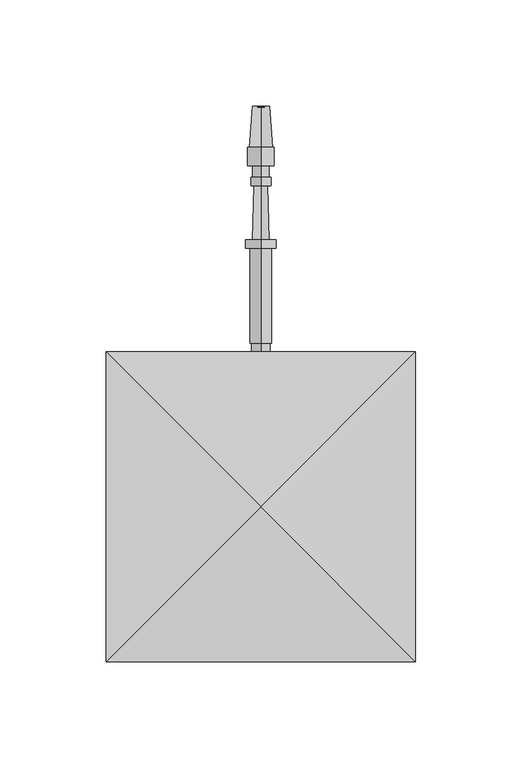
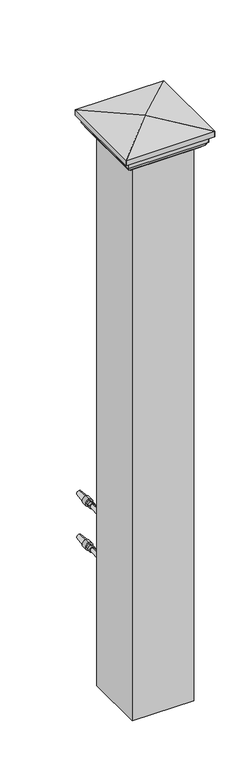
"""IFC4 building model written with IfcOpenShell, lengths in millimetres: railing geometry."""

from ifc_helpers import new_model, si_unit, point, frame, origin, place, context, project, spatial, polyline, circle_curve, ellipse_curve, trimmed, outline, extrude, source, transform, mapped, element, save
from ifc_brep_helpers import plane_surface, cylinder_surface, revolved_surface, advanced_brep


def railing_73b240f5(model_context):
    return source(origin(), model_context, "Body", "SolidModel", [
        advanced_brep(
        [(4097.4568095, 16768.2587003, 32759.0282881), (4097.4568095, 16768.2587003, 32762.6001631), (4097.4568095, 16768.2587003, 32766.1720381), (4097.4568095, 16893.2025896, 32762.6001631), (4097.4568095, 16893.4982539, 32758.5757028), (4097.4568095, 16893.4982539, 32766.6246235), (4097.4568095, 16874.1548899, 32757.1546072), (4097.4568095, 16874.1548899, 32768.045719), (4097.4568095, 16874.1548899, 32756.2616385), (4097.4568095, 16874.1548899, 32768.9386877), (4097.4568095, 16865.5228587, 32756.2616385), (4097.4568095, 16865.5228587, 32768.9386877), (4097.4568095, 16865.5228587, 32758.6428885), (4097.4568095, 16865.5228587, 32766.5574377), (4097.4568095, 16860.1650462, 32758.6428885), (4097.4568095, 16860.1650462, 32766.5574377), (4097.4568095, 16860.1650462, 32757.8491385), (4097.4568095, 16860.1650462, 32767.3511877), (4097.4568095, 16856.0970774, 32757.8491385), (4097.4568095, 16856.0970774, 32767.3511877), (4097.4568095, 16856.0529903, 32759.4360262), (4097.4568095, 16856.0529903, 32765.7643), (4097.4568095, 16830.6627871, 32758.7306319), (4097.4568095, 16830.6627871, 32766.4696944), (4097.4568095, 16830.6627871, 32755.4564131), (4097.4568095, 16830.6627871, 32769.7439131), (4097.4568095, 16826.6940371, 32755.4564131), (4097.4568095, 16826.6940371, 32769.7439131), (4097.4568095, 16826.6940371, 32757.4407881), (4097.4568095, 16826.6940371, 32767.7595381), (4097.4568095, 16781.9463808, 32757.4407881), (4097.4568095, 16781.9463808, 32767.7595381), (4097.4568095, 16781.9463808, 32758.2345381), (4097.4568095, 16781.9463808, 32766.9657881), (4097.4568095, 16775.5963808, 32758.2345381), (4097.4568095, 16775.5963808, 32766.9657881), (4097.4568095, 16775.5963808, 32759.0282881), (4097.4568095, 16775.5963808, 32766.1720381)],
        [
            (0, 1),
            (1, 2),
            (2, 0, circle_curve(frame((4097.4568095, 16768.2587003, 32762.6001631), z_axis=(0.0, -1.0, 0.0), x_axis=(0.0, 0.0, 1.0000000000000002)), 3.571875)),
            (0, 2, circle_curve(frame((4097.4568095, 16768.2587003, 32762.6001631), z_axis=(0.0, -1.0, 0.0), x_axis=(0.0, 0.0, 1.0000000000000002)), 3.571875)),
            (3, 4),
            (4, 5, circle_curve(frame((4097.4568095, 16893.4982539, 32762.6001631), z_axis=(0.0, 1.0, 0.0), x_axis=(0.0, 0.0, 1.0000000000000002)), 4.0244604)),
            (5, 3),
            (5, 4, circle_curve(frame((4097.4568095, 16893.4982539, 32762.6001631), z_axis=(0.0, 1.0, 0.0), x_axis=(0.0, 0.0, 1.0000000000000002)), 4.0244604)),
            (4, 6),
            (6, 7, circle_curve(frame((4097.4568095, 16874.1548899, 32762.6001631), z_axis=(0.0, 1.0, 0.0), x_axis=(0.0, 0.0, 1.0000000000000002)), 5.4455559)),
            (7, 5),
            (7, 6, circle_curve(frame((4097.4568095, 16874.1548899, 32762.6001631), z_axis=(0.0, 1.0, 0.0), x_axis=(0.0, 0.0, 1.0000000000000002)), 5.4455559)),
            (6, 8),
            (8, 9, circle_curve(frame((4097.4568095, 16874.1548899, 32762.6001631), z_axis=(0.0, 1.0, 0.0), x_axis=(0.0, 0.0, 1.0000000000000002)), 6.3385246)),
            (9, 7),
            (9, 8, circle_curve(frame((4097.4568095, 16874.1548899, 32762.6001631), z_axis=(0.0, 1.0, 0.0), x_axis=(0.0, 0.0, 1.0000000000000002)), 6.3385246)),
            (8, 10),
            (10, 11, circle_curve(frame((4097.4568095, 16865.5228587, 32762.6001631), z_axis=(0.0, 1.0, 0.0), x_axis=(0.0, 0.0, 1.0000000000000002)), 6.3385246)),
            (11, 9),
            (11, 10, circle_curve(frame((4097.4568095, 16865.5228587, 32762.6001631), z_axis=(0.0, 1.0, 0.0), x_axis=(0.0, 0.0, 1.0000000000000002)), 6.3385246)),
            (10, 12),
            (12, 13, circle_curve(frame((4097.4568095, 16865.5228587, 32762.6001631), z_axis=(0.0, 1.0, 0.0), x_axis=(0.0, 0.0, 1.0000000000000002)), 3.9572746)),
            (13, 11),
            (13, 12, circle_curve(frame((4097.4568095, 16865.5228587, 32762.6001631), z_axis=(0.0, 1.0, 0.0), x_axis=(0.0, 0.0, 1.0000000000000002)), 3.9572746)),
            (12, 14),
            (14, 15, circle_curve(frame((4097.4568095, 16860.1650462, 32762.6001631), z_axis=(0.0, 1.0, 0.0), x_axis=(0.0, 0.0, 1.0000000000000002)), 3.9572746)),
            (15, 13),
            (15, 14, circle_curve(frame((4097.4568095, 16860.1650462, 32762.6001631), z_axis=(0.0, 1.0, 0.0), x_axis=(0.0, 0.0, 1.0000000000000002)), 3.9572746)),
            (14, 16),
            (16, 17, circle_curve(frame((4097.4568095, 16860.1650462, 32762.6001631), z_axis=(0.0, 1.0, 0.0), x_axis=(0.0, 0.0, 1.0000000000000002)), 4.7510246)),
            (17, 15),
            (17, 16, circle_curve(frame((4097.4568095, 16860.1650462, 32762.6001631), z_axis=(0.0, 1.0, 0.0), x_axis=(0.0, 0.0, 1.0000000000000002)), 4.7510246)),
            (16, 18),
            (18, 19, circle_curve(frame((4097.4568095, 16856.0970774, 32762.6001631), z_axis=(0.0, 1.0, 0.0), x_axis=(0.0, 0.0, 1.0000000000000002)), 4.7510246)),
            (19, 17),
            (19, 18, circle_curve(frame((4097.4568095, 16856.0970774, 32762.6001631), z_axis=(0.0, 1.0, 0.0), x_axis=(0.0, 0.0, 1.0000000000000002)), 4.7510246)),
            (18, 20),
            (20, 21, circle_curve(frame((4097.4568095, 16856.0529903, 32762.6001631), z_axis=(0.0, 1.0, 0.0), x_axis=(0.0, 0.0, 1.0000000000000002)), 3.1641369)),
            (21, 19),
            (21, 20, circle_curve(frame((4097.4568095, 16856.0529903, 32762.6001631), z_axis=(0.0, 1.0, 0.0), x_axis=(0.0, 0.0, 1.0000000000000002)), 3.1641369)),
            (20, 22),
            (22, 23, circle_curve(frame((4097.4568095, 16830.6627871, 32762.6001631), z_axis=(0.0, 1.0, 0.0), x_axis=(0.0, 0.0, 1.0000000000000002)), 3.8695313)),
            (23, 21),
            (23, 22, circle_curve(frame((4097.4568095, 16830.6627871, 32762.6001631), z_axis=(0.0, 1.0, 0.0), x_axis=(0.0, 0.0, 1.0000000000000002)), 3.8695313)),
            (22, 24),
            (24, 25, circle_curve(frame((4097.4568095, 16830.6627871, 32762.6001631), z_axis=(0.0, 1.0, 0.0), x_axis=(0.0, 0.0, 1.0000000000000002)), 7.14375)),
            (25, 23),
            (25, 24, circle_curve(frame((4097.4568095, 16830.6627871, 32762.6001631), z_axis=(0.0, 1.0, 0.0), x_axis=(0.0, 0.0, 1.0000000000000002)), 7.14375)),
            (24, 26),
            (26, 27, circle_curve(frame((4097.4568095, 16826.6940371, 32762.6001631), z_axis=(0.0, 1.0, 0.0), x_axis=(0.0, 0.0, 1.0000000000000002)), 7.14375)),
            (27, 25),
            (27, 26, circle_curve(frame((4097.4568095, 16826.6940371, 32762.6001631), z_axis=(0.0, 1.0, 0.0), x_axis=(0.0, 0.0, 1.0000000000000002)), 7.14375)),
            (26, 28),
            (28, 29, circle_curve(frame((4097.4568095, 16826.6940371, 32762.6001631), z_axis=(0.0, 1.0, 0.0), x_axis=(0.0, 0.0, 1.0000000000000002)), 5.159375)),
            (29, 27),
            (29, 28, circle_curve(frame((4097.4568095, 16826.6940371, 32762.6001631), z_axis=(0.0, 1.0, 0.0), x_axis=(0.0, 0.0, 1.0000000000000002)), 5.159375)),
            (28, 30),
            (30, 31, circle_curve(frame((4097.4568095, 16781.9463808, 32762.6001631), z_axis=(0.0, 1.0, 0.0), x_axis=(0.0, 0.0, 1.0000000000000002)), 5.159375)),
            (31, 29),
            (31, 30, circle_curve(frame((4097.4568095, 16781.9463808, 32762.6001631), z_axis=(0.0, 1.0, 0.0), x_axis=(0.0, 0.0, 1.0000000000000002)), 5.159375)),
            (30, 32),
            (32, 33, circle_curve(frame((4097.4568095, 16781.9463808, 32762.6001631), z_axis=(0.0, 1.0, 0.0), x_axis=(0.0, 0.0, 1.0000000000000002)), 4.365625)),
            (33, 31),
            (33, 32, circle_curve(frame((4097.4568095, 16781.9463808, 32762.6001631), z_axis=(0.0, 1.0, 0.0), x_axis=(0.0, 0.0, 1.0000000000000002)), 4.365625)),
            (32, 34),
            (34, 35, circle_curve(frame((4097.4568095, 16775.5963808, 32762.6001631), z_axis=(0.0, 1.0, 0.0), x_axis=(0.0, 0.0, 1.0000000000000002)), 4.365625)),
            (35, 33),
            (35, 34, circle_curve(frame((4097.4568095, 16775.5963808, 32762.6001631), z_axis=(0.0, 1.0, 0.0), x_axis=(0.0, 0.0, 1.0000000000000002)), 4.365625)),
            (34, 36),
            (36, 37, circle_curve(frame((4097.4568095, 16775.5963808, 32762.6001631), z_axis=(0.0, 1.0, 0.0), x_axis=(0.0, 0.0, 1.0000000000000002)), 3.571875)),
            (37, 35),
            (37, 36, circle_curve(frame((4097.4568095, 16775.5963808, 32762.6001631), z_axis=(0.0, 1.0, 0.0), x_axis=(0.0, 0.0, 1.0000000000000002)), 3.571875)),
            (36, 0),
            (2, 37),
        ],
        [
            plane_surface(frame((4097.4568095, 16768.2587003, 32762.6001631), z_axis=(0.0, -1.0, 0.0), x_axis=(0.0, 0.0, 1.0))),
            revolved_surface(polyline([(4097.4568095, 16893.4982539, 32766.6246235), (4097.4568095, 16893.2025896, 32762.6001631)]), (4097.4568095, 16893.2025896, 32762.6001631), (0.0, 1.0, 0.0)),
            revolved_surface(polyline([(4097.4568095, 16874.1548899, 32768.045719), (4097.4568095, 16893.4982539, 32766.6246235)]), (4097.4568095, 16893.2025896, 32762.6001631), (0.0, 1.0, 0.0)),
            plane_surface(frame((4097.4568095, 16874.1548899, 32762.6001631), z_axis=(0.0, 1.0, 0.0), x_axis=(0.0, 0.0, 1.0))),
            cylinder_surface(frame((4097.4568095, 16893.2025896, 32762.6001631), z_axis=(0.0, 1.0, 0.0), x_axis=(0.0, 0.0, 1.0000000000000002)), 6.3385246),
            plane_surface(frame((4097.4568095, 16865.5228587, 32762.6001631), z_axis=(0.0, -1.0, 0.0), x_axis=(0.0, 0.0, 1.0))),
            cylinder_surface(frame((4097.4568095, 16893.2025896, 32762.6001631), z_axis=(0.0, 1.0, 0.0), x_axis=(0.0, 0.0, 1.0000000000000002)), 3.9572746),
            plane_surface(frame((4097.4568095, 16860.1650462, 32762.6001631), z_axis=(0.0, 1.0, 0.0), x_axis=(0.0, 0.0, 1.0))),
            cylinder_surface(frame((4097.4568095, 16893.2025896, 32762.6001631), z_axis=(0.0, 1.0, 0.0), x_axis=(0.0, 0.0, 1.0000000000000002)), 4.7510246),
            plane_surface(frame((4097.4568095, 16856.0529903, 32762.6001631), z_axis=(0.0, -1.0, 0.0), x_axis=(0.0, 0.0, 1.0))),
            revolved_surface(polyline([(4097.4568095, 16830.6627871, 32766.4696944), (4097.4568095, 16856.0529903, 32765.7643)]), (4097.4568095, 16893.2025896, 32762.6001631), (0.0, 1.0, 0.0)),
            plane_surface(frame((4097.4568095, 16830.6627871, 32762.6001631), z_axis=(0.0, 1.0, 0.0), x_axis=(0.0, 0.0, 1.0))),
            cylinder_surface(frame((4097.4568095, 16893.2025896, 32762.6001631), z_axis=(0.0, 1.0, 0.0), x_axis=(0.0, 0.0, 1.0000000000000002)), 7.14375),
            plane_surface(frame((4097.4568095, 16826.6940371, 32762.6001631), z_axis=(0.0, -1.0, 0.0), x_axis=(0.0, 0.0, 1.0))),
            cylinder_surface(frame((4097.4568095, 16893.2025896, 32762.6001631), z_axis=(0.0, 1.0, 0.0), x_axis=(0.0, 0.0, 1.0000000000000002)), 5.159375),
            plane_surface(frame((4097.4568095, 16781.9463808, 32762.6001631), z_axis=(0.0, -1.0, 0.0), x_axis=(0.0, 0.0, 1.0))),
            cylinder_surface(frame((4097.4568095, 16893.2025896, 32762.6001631), z_axis=(0.0, 1.0, 0.0), x_axis=(0.0, 0.0, 1.0000000000000002)), 4.365625),
            plane_surface(frame((4097.4568095, 16775.5963808, 32762.6001631), z_axis=(0.0, -1.0, 0.0), x_axis=(0.0, 0.0, 1.0))),
            cylinder_surface(frame((4097.4568095, 16893.2025896, 32762.6001631), z_axis=(0.0, 1.0, 0.0), x_axis=(0.0, 0.0, 1.0000000000000002)), 3.571875),
        ],
        [
            (0, [[1, 2, 3]]),
            (0, [[-2, -1, 4]]),
            (1, [[5, 6, 7]]),
            (1, [[-7, 8, -5]]),
            (2, [[9, 10, 11, -6]]),
            (2, [[-11, 12, -9, -8]]),
            (3, [[13, 14, 15, -10]]),
            (3, [[-15, 16, -13, -12]]),
            (4, [[17, 18, 19, -14]]),
            (4, [[-19, 20, -17, -16]]),
            (5, [[21, 22, 23, -18]]),
            (5, [[-23, 24, -21, -20]]),
            (6, [[25, 26, 27, -22]]),
            (6, [[-27, 28, -25, -24]]),
            (7, [[29, 30, 31, -26]]),
            (7, [[-31, 32, -29, -28]]),
            (8, [[33, 34, 35, -30]]),
            (8, [[-35, 36, -33, -32]]),
            (9, [[37, 38, 39, -34]]),
            (9, [[-39, 40, -37, -36]]),
            (10, [[41, 42, 43, -38]]),
            (10, [[-43, 44, -41, -40]]),
            (11, [[45, 46, 47, -42]]),
            (11, [[-47, 48, -45, -44]]),
            (12, [[49, 50, 51, -46]]),
            (12, [[-51, 52, -49, -48]]),
            (13, [[53, 54, 55, -50]]),
            (13, [[-55, 56, -53, -52]]),
            (14, [[57, 58, 59, -54]]),
            (14, [[-59, 60, -57, -56]]),
            (15, [[61, 62, 63, -58]]),
            (15, [[-63, 64, -61, -60]]),
            (16, [[65, 66, 67, -62]]),
            (16, [[-67, 68, -65, -64]]),
            (17, [[69, 70, 71, -66]]),
            (17, [[-71, 72, -69, -68]]),
            (18, [[73, -3, 74, -70]]),
            (18, [[-74, -4, -73, -72]]),
        ],
    ),
        advanced_brep(
        [(4097.4568095, 16755.5660637, 32686.4001631), (4097.4568095, 16755.5660637, 32705.4501631), (4097.4568095, 16755.5660637, 32667.3501631), (4097.4568095, 16768.2587003, 32680.8769785), (4097.4568095, 16768.2587003, 32691.9233478), (4097.4568095, 16768.2587003, 32686.4001631), (4097.4568095, 16762.9826039, 32677.2720381), (4097.4568095, 16762.9826039, 32695.5282881), (4097.4568095, 16758.6169789, 32671.6458254), (4097.4568095, 16758.6169789, 32701.1545009), (4097.4568095, 16758.6169789, 32667.7762941), (4097.4568095, 16758.6169789, 32705.0240321), (4097.4568095, 16757.9473137, 32667.3501631), (4097.4568095, 16757.9473137, 32705.4501631)],
        [
            (0, 1),
            (1, 2, circle_curve(frame((4097.4568095, 16755.5660637, 32686.4001631), z_axis=(0.0, -1.0, 0.0), x_axis=(0.0, 0.0, 1.0)), 19.05)),
            (2, 0),
            (2, 1, circle_curve(frame((4097.4568095, 16755.5660637, 32686.4001631), z_axis=(0.0, -1.0, 0.0), x_axis=(0.0, 0.0, 1.0)), 19.05)),
            (3, 4, circle_curve(frame((4097.4568095, 16768.2587003, 32686.4001631), z_axis=(0.0, 1.0, 0.0), x_axis=(0.0, 0.0, 1.0)), 5.5231846)),
            (4, 5),
            (5, 3),
            (4, 3, circle_curve(frame((4097.4568095, 16768.2587003, 32686.4001631), z_axis=(0.0, 1.0, 0.0), x_axis=(0.0, 0.0, 1.0)), 5.5231846)),
            (6, 7, circle_curve(frame((4097.4568095, 16762.9826039, 32686.4001631), z_axis=(0.0, 1.0, 0.0), x_axis=(0.0, 0.0, 1.0)), 9.128125)),
            (7, 4, circle_curve(frame((4097.4568095, 16760.6581952, 32686.4628958), z_axis=(-1.0, 0.0, 0.0), x_axis=(0.0, 1.0, 0.0)), 9.3586438)),
            (3, 6, circle_curve(frame((4097.4568095, 16760.6581952, 32686.3374304), z_axis=(-1.0, 0.0, 0.0), x_axis=(0.0, 1.0, 0.0)), 9.3586438)),
            (7, 6, circle_curve(frame((4097.4568095, 16762.9826039, 32686.4001631), z_axis=(0.0, 1.0, 0.0), x_axis=(0.0, 0.0, 1.0)), 9.128125)),
            (8, 9, circle_curve(frame((4097.4568095, 16758.6169789, 32686.4001631), z_axis=(0.0, 1.0, 0.0), x_axis=(0.0, 0.0, 1.0)), 14.7543378)),
            (9, 7, circle_curve(frame((4097.4568095, 16764.4251909, 32701.1545009), z_axis=(1.0, 0.0, 0.0), x_axis=(0.0, 1.0, 0.0)), 5.8082121)),
            (6, 8, circle_curve(frame((4097.4568095, 16764.4251909, 32671.6458254), z_axis=(1.0, 0.0, 0.0), x_axis=(0.0, 1.0, 0.0)), 5.8082121)),
            (9, 8, circle_curve(frame((4097.4568095, 16758.6169789, 32686.4001631), z_axis=(0.0, 1.0, 0.0), x_axis=(0.0, 0.0, 1.0)), 14.7543378)),
            (10, 11, circle_curve(frame((4097.4568095, 16758.6169789, 32686.4001631), z_axis=(0.0, 1.0, 0.0), x_axis=(0.0, 0.0, 1.0)), 18.623869)),
            (11, 9),
            (8, 10),
            (11, 10, circle_curve(frame((4097.4568095, 16758.6169789, 32686.4001631), z_axis=(0.0, 1.0, 0.0), x_axis=(0.0, 0.0, 1.0)), 18.623869)),
            (12, 13, circle_curve(frame((4097.4568095, 16757.9473137, 32686.4001631), z_axis=(0.0, 1.0, 0.0), x_axis=(0.0, 0.0, 1.0)), 19.05)),
            (13, 11),
            (10, 12),
            (13, 12, circle_curve(frame((4097.4568095, 16757.9473137, 32686.4001631), z_axis=(0.0, 1.0, 0.0), x_axis=(0.0, 0.0, 1.0)), 19.05)),
            (1, 13),
            (12, 2),
        ],
        [
            plane_surface(frame((4097.4568095, 16755.5660637, 32686.4001631), z_axis=(0.0, -1.0, 0.0), x_axis=(0.0, 0.0, 1.0))),
            plane_surface(frame((4097.4568095, 16768.2587003, 32686.4001631), z_axis=(0.0, 1.0, 0.0), x_axis=(0.0, 0.0, 1.0))),
            revolved_surface(trimmed(ellipse_curve(frame((4097.4568095, 16760.6581952, 32686.4628958), z_axis=(1.0, 0.0, 0.0), x_axis=(0.0, 1.0, 0.0)), 9.3586438, 9.3586438), [point((4097.4568095, 16768.2587003, 32691.9233478))], [point((4097.4568095, 16762.9826039, 32695.5282881))], True, "CARTESIAN"), (4097.4568095, 16755.5660637, 32686.4001631), (0.0, -1.0, 0.0)),
            revolved_surface(trimmed(ellipse_curve(frame((4097.4568095, 16764.4251909, 32701.1545009), z_axis=(-1.0, 0.0, 0.0), x_axis=(0.0, 1.0, 0.0)), 5.8082121, 5.8082121), [point((4097.4568095, 16762.9826039, 32695.5282881))], [point((4097.4568095, 16758.6169789, 32701.1545009))], True, "CARTESIAN"), (4097.4568095, 16755.5660637, 32686.4001631), (0.0, -1.0, 0.0)),
            plane_surface(frame((4097.4568095, 16758.6169789, 32686.4001631), z_axis=(0.0, 1.0, 0.0), x_axis=(0.0, 0.0, 1.0))),
            revolved_surface(polyline([(4097.4568095, 16758.6169789, 32705.0240321), (4097.4568095, 16757.9473137, 32705.4501631)]), (4097.4568095, 16755.5660637, 32686.4001631), (0.0, -1.0, 0.0)),
            cylinder_surface(frame((4097.4568095, 16755.5660637, 32686.4001631), z_axis=(0.0, -1.0, 0.0), x_axis=(0.0, 0.0, 1.0)), 19.05),
        ],
        [
            (0, [[1, 2, 3]]),
            (0, [[-3, 4, -1]]),
            (1, [[5, 6, 7]]),
            (1, [[8, -7, -6]]),
            (2, [[9, 10, -5, 11]]),
            (2, [[12, -11, -8, -10]]),
            (3, [[13, 14, -9, 15]]),
            (3, [[16, -15, -12, -14]]),
            (4, [[17, 18, -13, 19]]),
            (4, [[20, -19, -16, -18]]),
            (5, [[21, 22, -17, 23]]),
            (5, [[24, -23, -20, -22]]),
            (6, [[-2, 25, -21, 26]]),
            (6, [[-4, -26, -24, -25]]),
        ],
    ),
        advanced_brep(
        [(4097.4568095, 16768.2587003, 32682.8282881), (4097.4568095, 16768.2587003, 32686.4001631), (4097.4568095, 16768.2587003, 32689.9720381), (4097.4568095, 16893.2025896, 32686.4001631), (4097.4568095, 16893.4982539, 32682.3757028), (4097.4568095, 16893.4982539, 32690.4246235), (4097.4568095, 16874.1548899, 32680.9546072), (4097.4568095, 16874.1548899, 32691.845719), (4097.4568095, 16874.1548899, 32680.0616385), (4097.4568095, 16874.1548899, 32692.7386877), (4097.4568095, 16865.5228587, 32680.0616385), (4097.4568095, 16865.5228587, 32692.7386877), (4097.4568095, 16865.5228587, 32682.4428885), (4097.4568095, 16865.5228587, 32690.3574377), (4097.4568095, 16860.1650462, 32682.4428885), (4097.4568095, 16860.1650462, 32690.3574377), (4097.4568095, 16860.1650462, 32681.6491385), (4097.4568095, 16860.1650462, 32691.1511877), (4097.4568095, 16856.0970774, 32681.6491385), (4097.4568095, 16856.0970774, 32691.1511877), (4097.4568095, 16856.0529903, 32683.2360262), (4097.4568095, 16856.0529903, 32689.5643), (4097.4568095, 16830.6627871, 32682.5306319), (4097.4568095, 16830.6627871, 32690.2696944), (4097.4568095, 16830.6627871, 32679.2564131), (4097.4568095, 16830.6627871, 32693.5439131), (4097.4568095, 16826.6940371, 32679.2564131), (4097.4568095, 16826.6940371, 32693.5439131), (4097.4568095, 16826.6940371, 32681.2407881), (4097.4568095, 16826.6940371, 32691.5595381), (4097.4568095, 16781.9463808, 32681.2407881), (4097.4568095, 16781.9463808, 32691.5595381), (4097.4568095, 16781.9463808, 32682.0345381), (4097.4568095, 16781.9463808, 32690.7657881), (4097.4568095, 16775.5963808, 32682.0345381), (4097.4568095, 16775.5963808, 32690.7657881), (4097.4568095, 16775.5963808, 32682.8282881), (4097.4568095, 16775.5963808, 32689.9720381)],
        [
            (0, 1),
            (1, 2),
            (2, 0, circle_curve(frame((4097.4568095, 16768.2587003, 32686.4001631), z_axis=(0.0, -1.0, 0.0), x_axis=(0.0, 0.0, 1.0000000000000002)), 3.571875)),
            (0, 2, circle_curve(frame((4097.4568095, 16768.2587003, 32686.4001631), z_axis=(0.0, -1.0, 0.0), x_axis=(0.0, 0.0, 1.0000000000000002)), 3.571875)),
            (3, 4),
            (4, 5, circle_curve(frame((4097.4568095, 16893.4982539, 32686.4001631), z_axis=(0.0, 1.0, 0.0), x_axis=(0.0, 0.0, 1.0000000000000002)), 4.0244604)),
            (5, 3),
            (5, 4, circle_curve(frame((4097.4568095, 16893.4982539, 32686.4001631), z_axis=(0.0, 1.0, 0.0), x_axis=(0.0, 0.0, 1.0000000000000002)), 4.0244604)),
            (4, 6),
            (6, 7, circle_curve(frame((4097.4568095, 16874.1548899, 32686.4001631), z_axis=(0.0, 1.0, 0.0), x_axis=(0.0, 0.0, 1.0000000000000002)), 5.4455559)),
            (7, 5),
            (7, 6, circle_curve(frame((4097.4568095, 16874.1548899, 32686.4001631), z_axis=(0.0, 1.0, 0.0), x_axis=(0.0, 0.0, 1.0000000000000002)), 5.4455559)),
            (6, 8),
            (8, 9, circle_curve(frame((4097.4568095, 16874.1548899, 32686.4001631), z_axis=(0.0, 1.0, 0.0), x_axis=(0.0, 0.0, 1.0000000000000002)), 6.3385246)),
            (9, 7),
            (9, 8, circle_curve(frame((4097.4568095, 16874.1548899, 32686.4001631), z_axis=(0.0, 1.0, 0.0), x_axis=(0.0, 0.0, 1.0000000000000002)), 6.3385246)),
            (8, 10),
            (10, 11, circle_curve(frame((4097.4568095, 16865.5228587, 32686.4001631), z_axis=(0.0, 1.0, 0.0), x_axis=(0.0, 0.0, 1.0000000000000002)), 6.3385246)),
            (11, 9),
            (11, 10, circle_curve(frame((4097.4568095, 16865.5228587, 32686.4001631), z_axis=(0.0, 1.0, 0.0), x_axis=(0.0, 0.0, 1.0000000000000002)), 6.3385246)),
            (10, 12),
            (12, 13, circle_curve(frame((4097.4568095, 16865.5228587, 32686.4001631), z_axis=(0.0, 1.0, 0.0), x_axis=(0.0, 0.0, 1.0000000000000002)), 3.9572746)),
            (13, 11),
            (13, 12, circle_curve(frame((4097.4568095, 16865.5228587, 32686.4001631), z_axis=(0.0, 1.0, 0.0), x_axis=(0.0, 0.0, 1.0000000000000002)), 3.9572746)),
            (12, 14),
            (14, 15, circle_curve(frame((4097.4568095, 16860.1650462, 32686.4001631), z_axis=(0.0, 1.0, 0.0), x_axis=(0.0, 0.0, 1.0000000000000002)), 3.9572746)),
            (15, 13),
            (15, 14, circle_curve(frame((4097.4568095, 16860.1650462, 32686.4001631), z_axis=(0.0, 1.0, 0.0), x_axis=(0.0, 0.0, 1.0000000000000002)), 3.9572746)),
            (14, 16),
            (16, 17, circle_curve(frame((4097.4568095, 16860.1650462, 32686.4001631), z_axis=(0.0, 1.0, 0.0), x_axis=(0.0, 0.0, 1.0000000000000002)), 4.7510246)),
            (17, 15),
            (17, 16, circle_curve(frame((4097.4568095, 16860.1650462, 32686.4001631), z_axis=(0.0, 1.0, 0.0), x_axis=(0.0, 0.0, 1.0000000000000002)), 4.7510246)),
            (16, 18),
            (18, 19, circle_curve(frame((4097.4568095, 16856.0970774, 32686.4001631), z_axis=(0.0, 1.0, 0.0), x_axis=(0.0, 0.0, 1.0000000000000002)), 4.7510246)),
            (19, 17),
            (19, 18, circle_curve(frame((4097.4568095, 16856.0970774, 32686.4001631), z_axis=(0.0, 1.0, 0.0), x_axis=(0.0, 0.0, 1.0000000000000002)), 4.7510246)),
            (18, 20),
            (20, 21, circle_curve(frame((4097.4568095, 16856.0529903, 32686.4001631), z_axis=(0.0, 1.0, 0.0), x_axis=(0.0, 0.0, 1.0000000000000002)), 3.1641369)),
            (21, 19),
            (21, 20, circle_curve(frame((4097.4568095, 16856.0529903, 32686.4001631), z_axis=(0.0, 1.0, 0.0), x_axis=(0.0, 0.0, 1.0000000000000002)), 3.1641369)),
            (20, 22),
            (22, 23, circle_curve(frame((4097.4568095, 16830.6627871, 32686.4001631), z_axis=(0.0, 1.0, 0.0), x_axis=(0.0, 0.0, 1.0000000000000002)), 3.8695313)),
            (23, 21),
            (23, 22, circle_curve(frame((4097.4568095, 16830.6627871, 32686.4001631), z_axis=(0.0, 1.0, 0.0), x_axis=(0.0, 0.0, 1.0000000000000002)), 3.8695313)),
            (22, 24),
            (24, 25, circle_curve(frame((4097.4568095, 16830.6627871, 32686.4001631), z_axis=(0.0, 1.0, 0.0), x_axis=(0.0, 0.0, 1.0000000000000002)), 7.14375)),
            (25, 23),
            (25, 24, circle_curve(frame((4097.4568095, 16830.6627871, 32686.4001631), z_axis=(0.0, 1.0, 0.0), x_axis=(0.0, 0.0, 1.0000000000000002)), 7.14375)),
            (24, 26),
            (26, 27, circle_curve(frame((4097.4568095, 16826.6940371, 32686.4001631), z_axis=(0.0, 1.0, 0.0), x_axis=(0.0, 0.0, 1.0000000000000002)), 7.14375)),
            (27, 25),
            (27, 26, circle_curve(frame((4097.4568095, 16826.6940371, 32686.4001631), z_axis=(0.0, 1.0, 0.0), x_axis=(0.0, 0.0, 1.0000000000000002)), 7.14375)),
            (26, 28),
            (28, 29, circle_curve(frame((4097.4568095, 16826.6940371, 32686.4001631), z_axis=(0.0, 1.0, 0.0), x_axis=(0.0, 0.0, 1.0000000000000002)), 5.159375)),
            (29, 27),
            (29, 28, circle_curve(frame((4097.4568095, 16826.6940371, 32686.4001631), z_axis=(0.0, 1.0, 0.0), x_axis=(0.0, 0.0, 1.0000000000000002)), 5.159375)),
            (28, 30),
            (30, 31, circle_curve(frame((4097.4568095, 16781.9463808, 32686.4001631), z_axis=(0.0, 1.0, 0.0), x_axis=(0.0, 0.0, 1.0000000000000002)), 5.159375)),
            (31, 29),
            (31, 30, circle_curve(frame((4097.4568095, 16781.9463808, 32686.4001631), z_axis=(0.0, 1.0, 0.0), x_axis=(0.0, 0.0, 1.0000000000000002)), 5.159375)),
            (30, 32),
            (32, 33, circle_curve(frame((4097.4568095, 16781.9463808, 32686.4001631), z_axis=(0.0, 1.0, 0.0), x_axis=(0.0, 0.0, 1.0000000000000002)), 4.365625)),
            (33, 31),
            (33, 32, circle_curve(frame((4097.4568095, 16781.9463808, 32686.4001631), z_axis=(0.0, 1.0, 0.0), x_axis=(0.0, 0.0, 1.0000000000000002)), 4.365625)),
            (32, 34),
            (34, 35, circle_curve(frame((4097.4568095, 16775.5963808, 32686.4001631), z_axis=(0.0, 1.0, 0.0), x_axis=(0.0, 0.0, 1.0000000000000002)), 4.365625)),
            (35, 33),
            (35, 34, circle_curve(frame((4097.4568095, 16775.5963808, 32686.4001631), z_axis=(0.0, 1.0, 0.0), x_axis=(0.0, 0.0, 1.0000000000000002)), 4.365625)),
            (34, 36),
            (36, 37, circle_curve(frame((4097.4568095, 16775.5963808, 32686.4001631), z_axis=(0.0, 1.0, 0.0), x_axis=(0.0, 0.0, 1.0000000000000002)), 3.571875)),
            (37, 35),
            (37, 36, circle_curve(frame((4097.4568095, 16775.5963808, 32686.4001631), z_axis=(0.0, 1.0, 0.0), x_axis=(0.0, 0.0, 1.0000000000000002)), 3.571875)),
            (36, 0),
            (2, 37),
        ],
        [
            plane_surface(frame((4097.4568095, 16768.2587003, 32686.4001631), z_axis=(0.0, -1.0, 0.0), x_axis=(0.0, 0.0, 1.0))),
            revolved_surface(polyline([(4097.4568095, 16893.4982539, 32690.4246235), (4097.4568095, 16893.2025896, 32686.4001631)]), (4097.4568095, 16893.2025896, 32686.4001631), (0.0, 1.0, 0.0)),
            revolved_surface(polyline([(4097.4568095, 16874.1548899, 32691.845719), (4097.4568095, 16893.4982539, 32690.4246235)]), (4097.4568095, 16893.2025896, 32686.4001631), (0.0, 1.0, 0.0)),
            plane_surface(frame((4097.4568095, 16874.1548899, 32686.4001631), z_axis=(0.0, 1.0, 0.0), x_axis=(0.0, 0.0, 1.0))),
            cylinder_surface(frame((4097.4568095, 16893.2025896, 32686.4001631), z_axis=(0.0, 1.0, 0.0), x_axis=(0.0, 0.0, 1.0000000000000002)), 6.3385246),
            plane_surface(frame((4097.4568095, 16865.5228587, 32686.4001631), z_axis=(0.0, -1.0, 0.0), x_axis=(0.0, 0.0, 1.0))),
            cylinder_surface(frame((4097.4568095, 16893.2025896, 32686.4001631), z_axis=(0.0, 1.0, 0.0), x_axis=(0.0, 0.0, 1.0000000000000002)), 3.9572746),
            plane_surface(frame((4097.4568095, 16860.1650462, 32686.4001631), z_axis=(0.0, 1.0, 0.0), x_axis=(0.0, 0.0, 1.0))),
            cylinder_surface(frame((4097.4568095, 16893.2025896, 32686.4001631), z_axis=(0.0, 1.0, 0.0), x_axis=(0.0, 0.0, 1.0000000000000002)), 4.7510246),
            plane_surface(frame((4097.4568095, 16856.0529903, 32686.4001631), z_axis=(0.0, -1.0, 0.0), x_axis=(0.0, 0.0, 1.0))),
            revolved_surface(polyline([(4097.4568095, 16830.6627871, 32690.2696944), (4097.4568095, 16856.0529903, 32689.5643)]), (4097.4568095, 16893.2025896, 32686.4001631), (0.0, 1.0, 0.0)),
            plane_surface(frame((4097.4568095, 16830.6627871, 32686.4001631), z_axis=(0.0, 1.0, 0.0), x_axis=(0.0, 0.0, 1.0))),
            cylinder_surface(frame((4097.4568095, 16893.2025896, 32686.4001631), z_axis=(0.0, 1.0, 0.0), x_axis=(0.0, 0.0, 1.0000000000000002)), 7.14375),
            plane_surface(frame((4097.4568095, 16826.6940371, 32686.4001631), z_axis=(0.0, -1.0, 0.0), x_axis=(0.0, 0.0, 1.0))),
            cylinder_surface(frame((4097.4568095, 16893.2025896, 32686.4001631), z_axis=(0.0, 1.0, 0.0), x_axis=(0.0, 0.0, 1.0000000000000002)), 5.159375),
            plane_surface(frame((4097.4568095, 16781.9463808, 32686.4001631), z_axis=(0.0, -1.0, 0.0), x_axis=(0.0, 0.0, 1.0))),
            cylinder_surface(frame((4097.4568095, 16893.2025896, 32686.4001631), z_axis=(0.0, 1.0, 0.0), x_axis=(0.0, 0.0, 1.0000000000000002)), 4.365625),
            plane_surface(frame((4097.4568095, 16775.5963808, 32686.4001631), z_axis=(0.0, -1.0, 0.0), x_axis=(0.0, 0.0, 1.0))),
            cylinder_surface(frame((4097.4568095, 16893.2025896, 32686.4001631), z_axis=(0.0, 1.0, 0.0), x_axis=(0.0, 0.0, 1.0000000000000002)), 3.571875),
        ],
        [
            (0, [[1, 2, 3]]),
            (0, [[-2, -1, 4]]),
            (1, [[5, 6, 7]]),
            (1, [[-7, 8, -5]]),
            (2, [[9, 10, 11, -6]]),
            (2, [[-11, 12, -9, -8]]),
            (3, [[13, 14, 15, -10]]),
            (3, [[-15, 16, -13, -12]]),
            (4, [[17, 18, 19, -14]]),
            (4, [[-19, 20, -17, -16]]),
            (5, [[21, 22, 23, -18]]),
            (5, [[-23, 24, -21, -20]]),
            (6, [[25, 26, 27, -22]]),
            (6, [[-27, 28, -25, -24]]),
            (7, [[29, 30, 31, -26]]),
            (7, [[-31, 32, -29, -28]]),
            (8, [[33, 34, 35, -30]]),
            (8, [[-35, 36, -33, -32]]),
            (9, [[37, 38, 39, -34]]),
            (9, [[-39, 40, -37, -36]]),
            (10, [[41, 42, 43, -38]]),
            (10, [[-43, 44, -41, -40]]),
            (11, [[45, 46, 47, -42]]),
            (11, [[-47, 48, -45, -44]]),
            (12, [[49, 50, 51, -46]]),
            (12, [[-51, 52, -49, -48]]),
            (13, [[53, 54, 55, -50]]),
            (13, [[-55, 56, -53, -52]]),
            (14, [[57, 58, 59, -54]]),
            (14, [[-59, 60, -57, -56]]),
            (15, [[61, 62, 63, -58]]),
            (15, [[-63, 64, -61, -60]]),
            (16, [[65, 66, 67, -62]]),
            (16, [[-67, 68, -65, -64]]),
            (17, [[69, 70, 71, -66]]),
            (17, [[-71, 72, -69, -68]]),
            (18, [[73, -3, 74, -70]]),
            (18, [[-74, -4, -73, -72]]),
        ],
    ),
        extrude(outline(polyline([(4046.6568095, 16653.9487645), (4046.6568095, 16755.5487645), (4148.2568095, 16755.5487645), (4148.2568095, 16653.9487645), (4046.6568095, 16653.9487645)])), frame((0.0, 0.0, 32527.3789062), z_axis=(0.0, 0.0, 1.0), x_axis=(1.0, 0.0, 0.0)), (0.0, 0.0, 1.0), 965.2),
        advanced_brep(
        [(4170.4818095, 16631.7237645, 33527.5039062), (4170.4818095, 16777.7737645, 33527.5039062), (4097.4568095, 16704.7487645, 33537.0289063), (4170.4818095, 16631.7237645, 33517.9789062), (4170.4818095, 16777.7737645, 33517.9789062), (4164.1318095, 16638.0737645, 33517.9789062), (4164.1318095, 16771.4237645, 33517.9789062), (4164.1318095, 16638.0737645, 33506.8203026), (4164.1318095, 16771.4237645, 33506.8203026), (4160.4607158, 16641.7448583, 33500.5164062), (4160.4607158, 16767.7526708, 33500.5164062), (4157.2857158, 16644.9198583, 33500.5164062), (4157.2857158, 16764.5776708, 33500.5164062), (4150.9357158, 16651.2698583, 33494.1664062), (4150.9357158, 16758.2276708, 33494.1664062), (4150.9357158, 16651.2698583, 33492.5789063), (4150.9357158, 16758.2276708, 33492.5789063), (4097.4568095, 16704.7487645, 33492.5789063)],
        [
            (0, 1),
            (1, 2),
            (2, 0),
            (3, 4),
            (4, 1),
            (0, 3),
            (5, 6),
            (6, 4),
            (3, 5),
            (7, 8),
            (8, 6),
            (5, 7),
            (9, 10),
            (10, 8, ellipse_curve(frame((4173.1607158, 16780.4526708, 33497.3414063), z_axis=(-0.7071067811865455, 0.7071067811865496, 0.0), x_axis=(-0.7071067811865495, -0.7071067811865455, 0.0)), 18.5132723, 13.0908604)),
            (7, 9, ellipse_curve(frame((4173.1607158, 16629.0448583, 33497.3414063), z_axis=(-0.7071067811865506, -0.7071067811865446, 0.0), x_axis=(0.7071067811865446, -0.7071067811865505, 0.0)), 18.5132723, 13.0908604)),
            (11, 12),
            (12, 10),
            (9, 11),
            (13, 14),
            (14, 12, ellipse_curve(frame((4150.9357158, 16758.2276708, 33500.5164062), z_axis=(0.7071067811865455, -0.7071067811865496, 0.0), x_axis=(0.7071067811865495, 0.7071067811865455, 0.0)), 8.9802561, 6.35)),
            (11, 13, ellipse_curve(frame((4150.9357158, 16651.2698583, 33500.5164062), z_axis=(0.7071067811865506, 0.7071067811865446, 0.0), x_axis=(-0.7071067811865446, 0.7071067811865505, 0.0)), 8.9802561, 6.35)),
            (15, 16),
            (16, 14),
            (13, 15),
            (17, 16),
            (15, 17),
            (2, 17),
        ],
        [
            plane_surface(frame((4170.4818095, 16821.9504732, 33527.5039062), z_axis=(0.12933918406775016, 0.0, 0.9916004111862241), x_axis=(0.0, -1.0, 0.0))),
            plane_surface(frame((4170.4818095, 16821.9504732, 33517.9789062), z_axis=(1.0, 0.0, 0.0), x_axis=(0.0, -1.0, 0.0))),
            plane_surface(frame((4164.1318095, 16821.9504732, 33517.9789062), z_axis=(0.0, 0.0, -1.0), x_axis=(0.0, -1.0, 0.0))),
            plane_surface(frame((4164.1318095, 16821.9504732, 33506.8203026), z_axis=(1.0, 0.0, 0.0), x_axis=(0.0, -1.0, 0.0))),
            revolved_surface(polyline([(4160.0698554, 16615.953997914716, 33497.3414063), (4160.0698554, 16793.543531185285, 33497.3414063)]), (4173.1607158, 16595.4551851, 33497.3414063), (0.0, -1.0, 0.0)),
            plane_surface(frame((4157.2857158, 16821.9504732, 33500.5164062), z_axis=(0.0, 0.0, -1.0), x_axis=(0.0, -1.0, 0.0))),
            cylinder_surface(frame((4150.9357158, 16595.4551851, 33500.5164062), z_axis=(0.0, 1.0, 0.0), x_axis=(-1.0, 0.0, 0.0)), 6.35),
            plane_surface(frame((4150.9357158, 16821.9504732, 33492.5789063), z_axis=(1.0, 0.0, 0.0), x_axis=(0.0, -1.0, 0.0))),
            plane_surface(frame((4097.4568095, 16821.9504732, 33492.5789063), z_axis=(0.0, 0.0, -1.0), x_axis=(0.0, -1.0, 0.0))),
            plane_surface(frame((4097.4568095, 16704.7487645, 33721.1789063), z_axis=(-0.7071067811865506, -0.7071067811865446, 0.0), x_axis=(0.0, 0.0, -1.0))),
            plane_surface(frame((4230.8068095, 16838.0987645, 33721.1789063), z_axis=(-0.7071067811865455, 0.7071067811865496, 0.0), x_axis=(0.0, 0.0, -1.0))),
        ],
        [
            (0, [[1, 2, 3]]),
            (1, [[4, 5, -1, 6]]),
            (2, [[7, 8, -4, 9]]),
            (3, [[10, 11, -7, 12]]),
            (4, [[13, 14, -10, 15]]),
            (5, [[16, 17, -13, 18]]),
            (6, [[19, 20, -16, 21]]),
            (7, [[22, 23, -19, 24]]),
            (8, [[25, -22, 26]]),
            (9, [[27, -26, -24, -21, -18, -15, -12, -9, -6, -3]]),
            (10, [[-5, -8, -11, -14, -17, -20, -23, -25, -27, -2]]),
        ],
    ),
        advanced_brep(
        [(4097.4568095, 16704.7487645, 33537.0289063), (4024.4318095, 16777.7737645, 33527.5039062), (4024.4318095, 16631.7237645, 33527.5039062), (4024.4318095, 16777.7737645, 33517.9789062), (4024.4318095, 16631.7237645, 33517.9789062), (4030.7818095, 16771.4237645, 33517.9789062), (4030.7818095, 16638.0737645, 33517.9789062), (4030.7818095, 16771.4237645, 33506.8203026), (4030.7818095, 16638.0737645, 33506.8203026), (4034.4529033, 16767.7526708, 33500.5164062), (4034.4529033, 16641.7448583, 33500.5164062), (4037.6279033, 16764.5776708, 33500.5164062), (4037.6279033, 16644.9198583, 33500.5164062), (4043.9779033, 16758.2276708, 33494.1664062), (4043.9779033, 16651.2698583, 33494.1664062), (4043.9779033, 16758.2276708, 33492.5789063), (4043.9779033, 16651.2698583, 33492.5789063), (4097.4568095, 16704.7487645, 33492.5789063)],
        [
            (0, 1),
            (1, 2),
            (2, 0),
            (1, 3),
            (3, 4),
            (4, 2),
            (3, 5),
            (5, 6),
            (6, 4),
            (5, 7),
            (7, 8),
            (8, 6),
            (7, 9, ellipse_curve(frame((4021.7529033, 16780.4526708, 33497.3414063), z_axis=(0.7071067811865506, 0.7071067811865445, 0.0), x_axis=(0.7071067811865444, -0.7071067811865506, 0.0)), 18.5132723, 13.0908604)),
            (9, 10),
            (10, 8, ellipse_curve(frame((4021.7529033, 16629.0448583, 33497.3414063), z_axis=(0.7071067811865455, -0.7071067811865496, 0.0), x_axis=(-0.7071067811865495, -0.7071067811865455, 0.0)), 18.5132723, 13.0908604)),
            (9, 11),
            (11, 12),
            (12, 10),
            (11, 13, ellipse_curve(frame((4043.9779033, 16758.2276708, 33500.5164062), z_axis=(-0.7071067811865506, -0.7071067811865445, 0.0), x_axis=(-0.7071067811865444, 0.7071067811865506, 0.0)), 8.9802561, 6.35)),
            (13, 14),
            (14, 12, ellipse_curve(frame((4043.9779033, 16651.2698583, 33500.5164062), z_axis=(-0.7071067811865455, 0.7071067811865496, 0.0), x_axis=(0.7071067811865495, 0.7071067811865455, 0.0)), 8.9802561, 6.35)),
            (13, 15),
            (15, 16),
            (16, 14),
            (15, 17),
            (17, 16),
            (17, 0),
        ],
        [
            plane_surface(frame((4097.4568095, 16821.9504732, 33537.0289063), z_axis=(-0.12933918406778996, 0.0, 0.9916004111862189), x_axis=(0.0, -1.0, 0.0))),
            plane_surface(frame((4024.4318095, 16821.9504732, 33527.5039062), z_axis=(-1.0, 0.0, 0.0), x_axis=(0.0, -1.0, 0.0))),
            plane_surface(frame((4024.4318095, 16821.9504732, 33517.9789062), z_axis=(0.0, 0.0, -1.0), x_axis=(0.0, -1.0, 0.0))),
            plane_surface(frame((4030.7818095, 16821.9504732, 33517.9789062), z_axis=(-1.0, 0.0, 0.0), x_axis=(0.0, -1.0, 0.0))),
            revolved_surface(polyline([(4034.8437637, 16615.953997914716, 33497.3414063), (4034.8437637, 16793.543531185285, 33497.3414063)]), (4021.7529033, 16595.4551851, 33497.3414063), (0.0, -1.0, 0.0)),
            plane_surface(frame((4034.4529033, 16821.9504732, 33500.5164062), z_axis=(0.0, 0.0, -1.0), x_axis=(0.0, -1.0, 0.0))),
            cylinder_surface(frame((4043.9779033, 16595.4551851, 33500.5164062), z_axis=(0.0, 1.0, 0.0), x_axis=(1.0, 0.0, 0.0)), 6.35),
            plane_surface(frame((4043.9779033, 16821.9504732, 33494.1664062), z_axis=(-1.0, 0.0, 0.0), x_axis=(0.0, -1.0, 0.0))),
            plane_surface(frame((4043.9779033, 16821.9504732, 33492.5789063), z_axis=(0.0, 0.0, -1.0), x_axis=(0.0, -1.0, 0.0))),
            plane_surface(frame((3988.1632302, 16595.4551851, 33721.1789063), z_axis=(0.7071067811865455, -0.7071067811865496, 0.0), x_axis=(0.0, 0.0, -1.0))),
            plane_surface(frame((4097.4568095, 16704.7487645, 33721.1789063), z_axis=(0.7071067811865506, 0.7071067811865445, 0.0), x_axis=(0.0, 0.0, -1.0))),
        ],
        [
            (0, [[1, 2, 3]]),
            (1, [[-2, 4, 5, 6]]),
            (2, [[-5, 7, 8, 9]]),
            (3, [[-8, 10, 11, 12]]),
            (4, [[-11, 13, 14, 15]]),
            (5, [[-14, 16, 17, 18]]),
            (6, [[-17, 19, 20, 21]]),
            (7, [[-20, 22, 23, 24]]),
            (8, [[-23, 25, 26]]),
            (9, [[-6, -9, -12, -15, -18, -21, -24, -26, 27, -3]]),
            (10, [[-27, -25, -22, -19, -16, -13, -10, -7, -4, -1]]),
        ],
    ),
        advanced_brep(
        [(4097.4568095, 16704.7487645, 33537.0289063), (4024.4318095, 16631.7237645, 33527.5039062), (4170.4818095, 16631.7237645, 33527.5039062), (4024.4318095, 16631.7237645, 33517.9789062), (4170.4818095, 16631.7237645, 33517.9789062), (4030.7818095, 16638.0737645, 33517.9789062), (4164.1318095, 16638.0737645, 33517.9789062), (4030.7818095, 16638.0737645, 33506.8203026), (4164.1318095, 16638.0737645, 33506.8203026), (4034.4529033, 16641.7448583, 33500.5164062), (4160.4607158, 16641.7448583, 33500.5164062), (4037.6279033, 16644.9198583, 33500.5164062), (4157.2857158, 16644.9198583, 33500.5164062), (4043.9779033, 16651.2698583, 33494.1664062), (4150.9357158, 16651.2698583, 33494.1664062), (4043.9779033, 16651.2698583, 33492.5789063), (4150.9357158, 16651.2698583, 33492.5789063), (4097.4568095, 16704.7487645, 33492.5789063)],
        [
            (0, 1),
            (1, 2),
            (2, 0),
            (1, 3),
            (3, 4),
            (4, 2),
            (3, 5),
            (5, 6),
            (6, 4),
            (5, 7),
            (7, 8),
            (8, 6),
            (7, 9, ellipse_curve(frame((4021.7529033, 16629.0448583, 33497.3414063), z_axis=(-0.7071067811865454, 0.7071067811865497, 0.0), x_axis=(-0.7071067811865497, -0.7071067811865454, 0.0)), 18.5132723, 13.0908604)),
            (9, 10),
            (10, 8, ellipse_curve(frame((4173.1607158, 16629.0448583, 33497.3414063), z_axis=(0.7071067811865508, 0.7071067811865444, 0.0), x_axis=(-0.7071067811865441, 0.7071067811865508, 0.0)), 18.5132723, 13.0908604)),
            (9, 11),
            (11, 12),
            (12, 10),
            (11, 13, ellipse_curve(frame((4043.9779033, 16651.2698583, 33500.5164062), z_axis=(0.7071067811865454, -0.7071067811865497, 0.0), x_axis=(0.7071067811865497, 0.7071067811865454, 0.0)), 8.9802561, 6.35)),
            (13, 14),
            (14, 12, ellipse_curve(frame((4150.9357158, 16651.2698583, 33500.5164062), z_axis=(-0.7071067811865508, -0.7071067811865444, 0.0), x_axis=(0.7071067811865441, -0.7071067811865508, 0.0)), 8.9802561, 6.35)),
            (13, 15),
            (15, 16),
            (16, 14),
            (15, 17),
            (17, 16),
            (17, 0),
        ],
        [
            plane_surface(frame((4214.6585182, 16631.7237645, 33527.5039062), z_axis=(0.0, -0.1293391840677701, 0.9916004111862214), x_axis=(-1.0, 0.0, 0.0))),
            plane_surface(frame((4214.6585182, 16631.7237645, 33517.9789062), z_axis=(0.0, -1.0, 0.0), x_axis=(-1.0, 0.0, 0.0))),
            plane_surface(frame((4214.6585182, 16638.0737645, 33517.9789062), z_axis=(0.0, 0.0, -1.0), x_axis=(-1.0, 0.0, 0.0))),
            plane_surface(frame((4214.6585182, 16638.0737645, 33506.8203026), z_axis=(0.0, -1.0, 0.0), x_axis=(-1.0, 0.0, 0.0))),
            revolved_surface(polyline([(4008.662042914717, 16642.1357187, 33497.3414063), (4186.251576185283, 16642.1357187, 33497.3414063)]), (3988.1632302, 16629.0448583, 33497.3414063), (-1.0, 0.0, 0.0)),
            plane_surface(frame((4214.6585182, 16644.9198583, 33500.5164062), z_axis=(0.0, 0.0, -1.0), x_axis=(-1.0, 0.0, 0.0))),
            cylinder_surface(frame((3988.1632302, 16651.2698583, 33500.5164062), z_axis=(1.0, 0.0, 0.0), x_axis=(0.0, 1.0, 0.0)), 6.35),
            plane_surface(frame((4214.6585182, 16651.2698583, 33492.5789063), z_axis=(0.0, -1.0, 0.0), x_axis=(-1.0, 0.0, 0.0))),
            plane_surface(frame((4214.6585182, 16704.7487645, 33492.5789063), z_axis=(0.0, 0.0, -1.0), x_axis=(-1.0, 0.0, 0.0))),
            plane_surface(frame((4214.6585182, 16587.5470558, 33721.1789063), z_axis=(0.7071067811865508, 0.7071067811865444, 0.0), x_axis=(0.0, 0.0, -1.0))),
            plane_surface(frame((4097.4568095, 16704.7487645, 33721.1789063), z_axis=(-0.7071067811865454, 0.7071067811865497, 0.0), x_axis=(0.0, 0.0, -1.0))),
        ],
        [
            (0, [[1, 2, 3]]),
            (1, [[-2, 4, 5, 6]]),
            (2, [[-5, 7, 8, 9]]),
            (3, [[-8, 10, 11, 12]]),
            (4, [[-11, 13, 14, 15]]),
            (5, [[-14, 16, 17, 18]]),
            (6, [[-17, 19, 20, 21]]),
            (7, [[-20, 22, 23, 24]]),
            (8, [[-23, 25, 26]]),
            (9, [[-6, -9, -12, -15, -18, -21, -24, -26, 27, -3]]),
            (10, [[-27, -25, -22, -19, -16, -13, -10, -7, -4, -1]]),
        ],
    ),
        advanced_brep(
        [(4170.4818095, 16777.7737645, 33527.5039062), (4024.4318095, 16777.7737645, 33527.5039062), (4097.4568095, 16704.7487645, 33537.0289063), (4170.4818095, 16777.7737645, 33517.9789062), (4024.4318095, 16777.7737645, 33517.9789062), (4164.1318095, 16771.4237645, 33517.9789062), (4030.7818095, 16771.4237645, 33517.9789062), (4164.1318095, 16771.4237645, 33506.8203026), (4030.7818095, 16771.4237645, 33506.8203026), (4160.4607158, 16767.7526708, 33500.5164062), (4034.4529033, 16767.7526708, 33500.5164062), (4157.2857158, 16764.5776708, 33500.5164062), (4037.6279033, 16764.5776708, 33500.5164062), (4150.9357158, 16758.2276708, 33494.1664062), (4043.9779033, 16758.2276708, 33494.1664062), (4150.9357158, 16758.2276708, 33492.5789063), (4043.9779033, 16758.2276708, 33492.5789063), (4097.4568095, 16704.7487645, 33492.5789063)],
        [
            (0, 1),
            (1, 2),
            (2, 0),
            (3, 4),
            (4, 1),
            (0, 3),
            (5, 6),
            (6, 4),
            (3, 5),
            (7, 8),
            (8, 6),
            (5, 7),
            (9, 10),
            (10, 8, ellipse_curve(frame((4021.7529033, 16780.4526708, 33497.3414063), z_axis=(-0.7071067811865508, -0.7071067811865444, 0.0), x_axis=(-0.7071067811865441, 0.7071067811865508, 0.0)), 18.5132723, 13.0908604)),
            (7, 9, ellipse_curve(frame((4173.1607158, 16780.4526708, 33497.3414063), z_axis=(0.7071067811865455, -0.7071067811865496, 0.0), x_axis=(-0.7071067811865497, -0.7071067811865455, 0.0)), 18.5132723, 13.0908604)),
            (11, 12),
            (12, 10),
            (9, 11),
            (13, 14),
            (14, 12, ellipse_curve(frame((4043.9779033, 16758.2276708, 33500.5164062), z_axis=(0.7071067811865508, 0.7071067811865444, 0.0), x_axis=(0.7071067811865441, -0.7071067811865508, 0.0)), 8.9802561, 6.35)),
            (11, 13, ellipse_curve(frame((4150.9357158, 16758.2276708, 33500.5164062), z_axis=(-0.7071067811865455, 0.7071067811865496, 0.0), x_axis=(0.7071067811865497, 0.7071067811865455, 0.0)), 8.9802561, 6.35)),
            (15, 16),
            (16, 14),
            (13, 15),
            (17, 16),
            (15, 17),
            (2, 17),
        ],
        [
            plane_surface(frame((4214.6585182, 16704.7487645, 33537.0289063), z_axis=(0.0, 0.12933918406776815, 0.9916004111862218), x_axis=(-1.0, 0.0, 0.0))),
            plane_surface(frame((4214.6585182, 16777.7737645, 33527.5039062), z_axis=(0.0, 1.0, 0.0), x_axis=(-1.0, 0.0, 0.0))),
            plane_surface(frame((4214.6585182, 16777.7737645, 33517.9789062), z_axis=(0.0, 0.0, -1.0), x_axis=(-1.0, 0.0, 0.0))),
            plane_surface(frame((4214.6585182, 16771.4237645, 33517.9789062), z_axis=(0.0, 1.0, 0.0), x_axis=(-1.0, 0.0, 0.0))),
            revolved_surface(polyline([(4008.662042914717, 16767.3618104, 33497.3414063), (4186.251576185283, 16767.3618104, 33497.3414063)]), (3988.1632302, 16780.4526708, 33497.3414063), (-1.0, 0.0, 0.0)),
            plane_surface(frame((4214.6585182, 16767.7526708, 33500.5164062), z_axis=(0.0, 0.0, -1.0), x_axis=(-1.0, 0.0, 0.0))),
            cylinder_surface(frame((3988.1632302, 16758.2276708, 33500.5164062), z_axis=(1.0, 0.0, 0.0), x_axis=(0.0, -1.0, 0.0)), 6.35),
            plane_surface(frame((4214.6585182, 16758.2276708, 33494.1664062), z_axis=(0.0, 1.0, 0.0), x_axis=(-1.0, 0.0, 0.0))),
            plane_surface(frame((4214.6585182, 16758.2276708, 33492.5789063), z_axis=(0.0, 0.0, -1.0), x_axis=(-1.0, 0.0, 0.0))),
            plane_surface(frame((4097.4568095, 16704.7487645, 33721.1789063), z_axis=(0.7071067811865455, -0.7071067811865496, 0.0), x_axis=(0.0, 0.0, -1.0))),
            plane_surface(frame((3988.1632302, 16814.0423439, 33721.1789063), z_axis=(-0.7071067811865508, -0.7071067811865444, 0.0), x_axis=(0.0, 0.0, -1.0))),
        ],
        [
            (0, [[1, 2, 3]]),
            (1, [[4, 5, -1, 6]]),
            (2, [[7, 8, -4, 9]]),
            (3, [[10, 11, -7, 12]]),
            (4, [[13, 14, -10, 15]]),
            (5, [[16, 17, -13, 18]]),
            (6, [[19, 20, -16, 21]]),
            (7, [[22, 23, -19, 24]]),
            (8, [[25, -22, 26]]),
            (9, [[27, -26, -24, -21, -18, -15, -12, -9, -6, -3]]),
            (10, [[-5, -8, -11, -14, -17, -20, -23, -25, -27, -2]]),
        ],
    ),
    ])


if __name__ == "__main__":
    model = new_model("IFC4")
    model_context = context("Model", 3, world=origin())
    ifc_project = project(units=[si_unit("LENGTHUNIT", "METRE", prefix="MILLI")], contexts=[model_context])
    site = spatial("IfcSite", under=ifc_project)
    building = spatial("IfcBuilding", under=site)
    placement = place(None, origin())
    railing_shape = railing_73b240f5(model_context)
    element("IfcRailing", 1, at=placement, inside=building, context=model_context, shape_type="MappedRepresentation", body=[
        mapped(railing_shape, transform((0.0, 0.0, 0.0), x_axis=(1.0, 0.0, 0.0), y_axis=(0.0, 1.0, 0.0), z_axis=(0.0, 0.0, 1.0))),
    ])
    save(model, "model.ifc")
